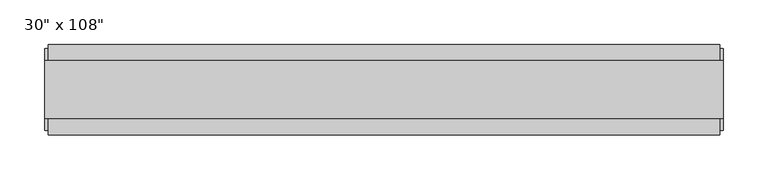
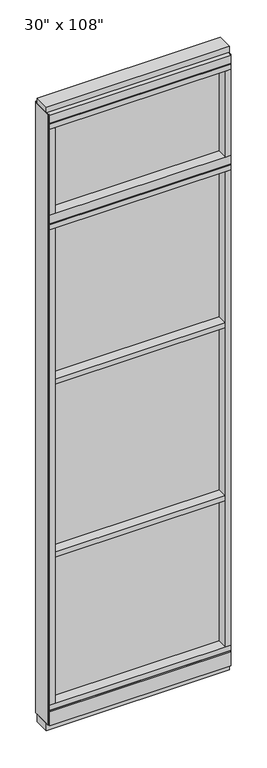
"""IFC4 building model written with IfcOpenShell, lengths in millimetres: furniture geometry."""

from ifc_helpers import new_model, si_unit, frame, origin, origin_with_axes, place, context, project, spatial, polyline, outline, extrude, source, transform, mapped, element, save


def furniture_53eb08e6(model_context):
    return source(origin(), model_context, "Body", "SweptSolid", [
        extrude(outline(polyline([(294.8014771, -9.5977216), (-414.8745229, -9.5977216), (-414.8745229, 0.5622784), (294.8014771, 0.5622784), (294.8014771, -9.5977216)])), frame((0.0, 0.0, 2276.475), z_axis=(0.0, 0.0, 1.0), x_axis=(1.0, 0.0, 0.0)), (0.0, 0.0, 1.0), 355.6),
        extrude(outline(polyline([(-414.8745229, -52.3332216), (-414.8745229, 43.2977784), (294.8014771, 43.2977784), (294.8014771, -52.3332216), (-414.8745229, -52.3332216)])), frame((0.0, 0.0, 1524.0), z_axis=(0.0, 0.0, 1.0), x_axis=(1.0, 0.0, 0.0)), (0.0, 0.0, 1.0), 22.225),
        extrude(outline(polyline([(-414.8745229, -52.3332216), (-414.8745229, 43.2977784), (294.8014771, 43.2977784), (294.8014771, -52.3332216), (-414.8745229, -52.3332216)])), frame((0.0, 0.0, 762.0), z_axis=(0.0, 0.0, 1.0), x_axis=(1.0, 0.0, 0.0)), (0.0, 0.0, 1.0), 22.225),
        extrude(outline(polyline([(294.8014771, -9.5977216), (-414.8745229, -9.5977216), (-414.8745229, 0.5622784), (294.8014771, 0.5622784), (294.8014771, -9.5977216)])), frame((0.0, 0.0, 120.523), z_axis=(0.0, 0.0, 1.0), x_axis=(1.0, 0.0, 0.0)), (0.0, 0.0, 1.0), 2114.677),
        extrude(outline(polyline([(294.8014771, -55.3177216), (294.8014771, 46.2822784), (317.0264771, 46.2822784), (317.0264771, -55.3177216), (294.8014771, -55.3177216)])), frame((0.0, 0.0, 2276.475), z_axis=(0.0, 0.0, 1.0), x_axis=(1.0, 0.0, 0.0)), (0.0, 0.0, 1.0), 377.825),
        extrude(outline(polyline([(-55.3177216, 2240.153), (-55.3177216, 2276.475), (46.2822784, 2276.475), (46.2822784, 2240.153), (41.3292784, 2240.153), (41.3292784, 2235.2), (-50.3647216, 2235.2), (-50.3647216, 2240.153), (-55.3177216, 2240.153)])), frame((-437.0995229, 0.0, 0.0), z_axis=(1.0, 0.0, 0.0), x_axis=(0.0, 1.0, 0.0)), (0.0, 0.0, 1.0), 754.126),
        extrude(outline(polyline([(-414.8745229, -55.3177216), (-437.0995229, -55.3177216), (-437.0995229, 46.2822784), (-414.8745229, 46.2822784), (-414.8745229, -55.3177216)])), frame((0.0, 0.0, 2276.475), z_axis=(0.0, 0.0, 1.0), x_axis=(1.0, 0.0, 0.0)), (0.0, 0.0, 1.0), 377.825),
        extrude(outline(polyline([(-437.0995229, -55.3177216), (-437.0995229, 46.2822784), (317.0264771, 46.2822784), (317.0264771, -55.3177216), (-437.0995229, -55.3177216)])), frame((0.0, 0.0, 2212.975), z_axis=(0.0, 0.0, 1.0), x_axis=(1.0, 0.0, 0.0)), (0.0, 0.0, 1.0), 22.225),
        extrude(outline(polyline([(-55.3177216, 93.345), (-50.3647216, 93.345), (-50.3647216, 98.298), (41.3292784, 98.298), (41.3292784, 93.345), (46.2822784, 93.345), (46.2822784, 31.75), (-55.3177216, 31.75), (-55.3177216, 93.345)])), frame((-437.0995229, 0.0, 0.0), z_axis=(1.0, 0.0, 0.0), x_axis=(0.0, 1.0, 0.0)), (0.0, 0.0, 1.0), 754.126),
        extrude(outline(polyline([(-437.0995229, -55.3177216), (-437.0995229, 46.2822784), (317.0264771, 46.2822784), (317.0264771, -55.3177216), (-437.0995229, -55.3177216)])), frame((0.0, 0.0, 98.298), z_axis=(0.0, 0.0, 1.0), x_axis=(1.0, 0.0, 0.0)), (0.0, 0.0, 1.0), 22.225),
        extrude(outline(polyline([(320.9634771, 27.9942784), (320.9634771, -37.0297216), (-441.0365229, -37.0297216), (-441.0365229, 27.9942784), (320.9634771, 27.9942784)])), origin_with_axes(), (0.0, 0.0, 1.0), 31.75),
        extrude(outline(polyline([(-441.0365229, -37.0297216), (-441.0365229, 27.9942784), (320.9634771, 27.9942784), (320.9634771, -37.0297216), (-441.0365229, -37.0297216)])), frame((0.0, 0.0, 2717.8), z_axis=(0.0, 0.0, 1.0), x_axis=(1.0, 0.0, 0.0)), (0.0, 0.0, 1.0), 25.4),
        extrude(outline(polyline([(-55.3177216, 2681.478), (-55.3177216, 2717.8), (46.2822784, 2717.8), (46.2822784, 2681.478), (41.3292784, 2681.478), (41.3292784, 2676.525), (-50.3647216, 2676.525), (-50.3647216, 2681.478), (-55.3177216, 2681.478)])), frame((-437.0995229, 0.0, 0.0), z_axis=(1.0, 0.0, 0.0), x_axis=(0.0, 1.0, 0.0)), (0.0, 0.0, 1.0), 754.126),
        extrude(outline(polyline([(317.0264771, 46.2822784), (317.0264771, -55.3177216), (-437.0995229, -55.3177216), (-437.0995229, 46.2822784), (317.0264771, 46.2822784)])), frame((0.0, 0.0, 2654.3), z_axis=(0.0, 0.0, 1.0), x_axis=(1.0, 0.0, 0.0)), (0.0, 0.0, 1.0), 22.225),
        extrude(outline(polyline([(294.8014771, -55.3177216), (294.8014771, 46.2822784), (317.0264771, 46.2822784), (317.0264771, -55.3177216), (294.8014771, -55.3177216)])), frame((0.0, 0.0, 120.523), z_axis=(0.0, 0.0, 1.0), x_axis=(1.0, 0.0, 0.0)), (0.0, 0.0, 1.0), 2092.452),
        extrude(outline(polyline([(-414.8745229, -55.3177216), (-437.0995229, -55.3177216), (-437.0995229, 46.2822784), (-414.8745229, 46.2822784), (-414.8745229, -55.3177216)])), frame((0.0, 0.0, 120.523), z_axis=(0.0, 0.0, 1.0), x_axis=(1.0, 0.0, 0.0)), (0.0, 0.0, 1.0), 2092.452),
        extrude(outline(polyline([(320.9634771, -50.3647216), (317.0264771, -50.3647216), (317.0264771, 41.3292784), (320.9634771, 41.3292784), (320.9634771, -50.3647216)])), frame((0.0, 0.0, 31.75), z_axis=(0.0, 0.0, 1.0), x_axis=(1.0, 0.0, 0.0)), (0.0, 0.0, 1.0), 2686.05),
        extrude(outline(polyline([(-441.0365229, -50.3647216), (-441.0365229, 41.3292784), (-437.0995229, 41.3292784), (-437.0995229, -50.3647216), (-441.0365229, -50.3647216)])), frame((0.0, 0.0, 31.75), z_axis=(0.0, 0.0, 1.0), x_axis=(1.0, 0.0, 0.0)), (0.0, 0.0, 1.0), 2686.05),
    ])


if __name__ == "__main__":
    model = new_model("IFC4")
    model_context = context("Model", 3, world=origin())
    ifc_project = project(units=[si_unit("LENGTHUNIT", "METRE", prefix="MILLI")], contexts=[model_context])
    site = spatial("IfcSite", under=ifc_project)
    building = spatial("IfcBuilding", under=site)
    placement = place(None, origin())
    furniture_shape = furniture_53eb08e6(model_context)
    element("IfcFurniture", 1, ObjectType="30\" x 108\"", at=placement, inside=building, context=model_context, shape_type="MappedRepresentation", body=[
        mapped(furniture_shape, transform((0.0, 0.0, 0.0), x_axis=(1.0, 0.0, 0.0), y_axis=(0.0, 1.0, 0.0), z_axis=(0.0, 0.0, 1.0))),
    ])
    save(model, "model.ifc")
